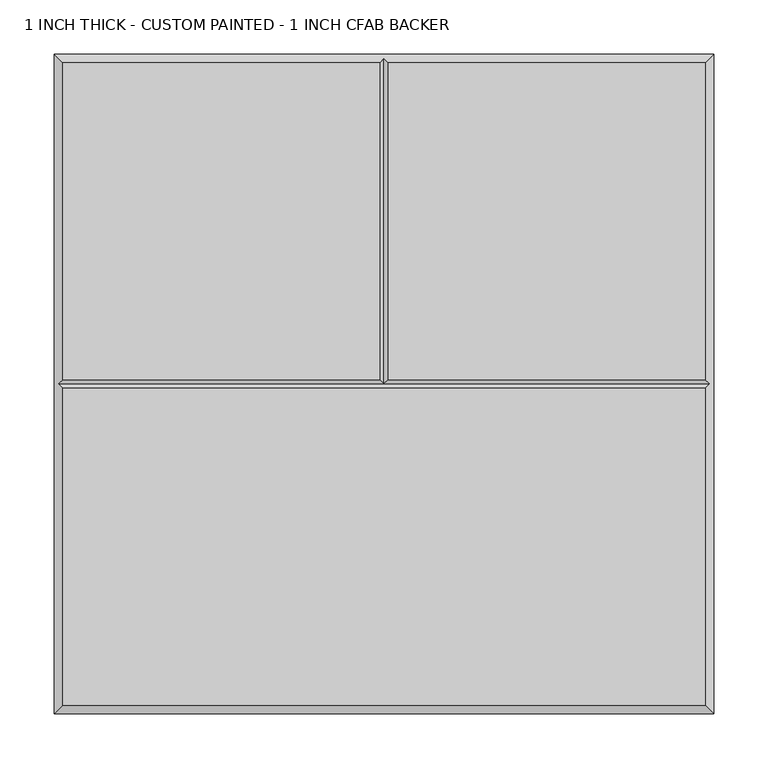
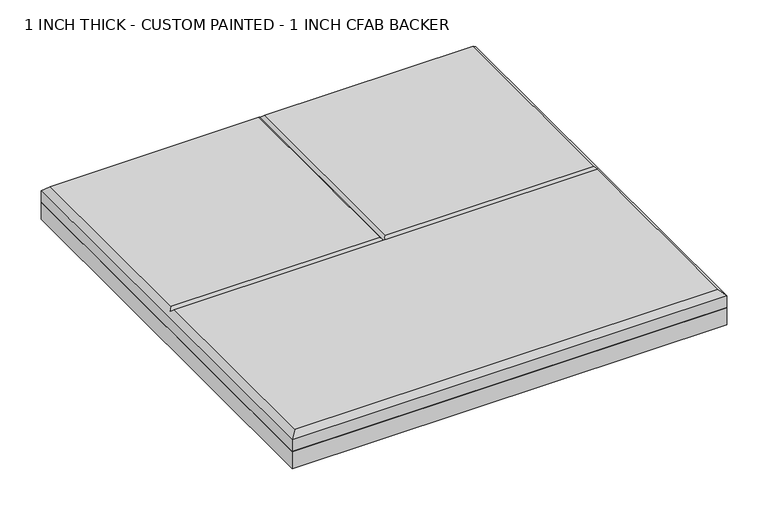
"""IFC4 building model written with IfcOpenShell, lengths in millimetres: proxy geometry, 1 INCH THICK - CUSTOM PAINTED - 1 INCH CFAB BACKER."""

from ifc_helpers import new_model, si_unit, frame, origin, place, context, project, spatial, polyline, outline, extrude, faceted_brep, source, transform, mapped, element, save


def proxy_1_inch_thick_custom_painted_1_inch_cfab_backer_71530150(model_context):
    return source(origin(), model_context, "Body", "SolidModel", [
        extrude(outline(polyline([(-304.8, 304.8), (304.8, 304.8), (304.8, -304.8), (-304.8, -304.8), (-304.8, 304.8)])), frame((0.0, 0.0, -25.4), z_axis=(0.0, 0.0, 1.0), x_axis=(1.0, 0.0, 0.0)), (0.0, 0.0, 1.0), 25.4),
        faceted_brep([(-296.799, -296.799, 25.4), (296.799, -296.799, 25.4), (296.799, -4.0005127, 25.4), (-296.799, -4.0005127, 25.4), (-296.799, 296.799, 25.4), (-296.799, 4.0004873, 25.4), (-4.0005, 4.0004873, 25.4), (-4.0005, 296.799, 25.4), (296.799, 4.0004873, 25.4), (296.799, 296.799, 25.4), (4.0005, 296.799, 25.4), (4.0005, 4.0004873, 25.4), (-304.8, 304.8, 0.0), (304.8, 304.8, 0.0), (304.8, -304.8, 0.0), (-304.8, -304.8, 0.0), (-304.8, -304.8, 17.399), (-304.8, 304.8, 17.399), (304.8, -304.8, 17.399), (304.8, 304.8, 17.399), (0.0, 300.7995, 21.3995), (-300.7995, -1.27e-05, 21.3995), (300.7995, -1.27e-05, 21.3995), (0.0, -1.27e-05, 21.3995)], [[[0, 1, 2, 3]], [[4, 5, 6, 7]], [[8, 9, 10, 11]], [[12, 13, 14, 15]], [[12, 15, 16, 17]], [[15, 14, 18, 16]], [[14, 13, 19, 18]], [[13, 12, 17, 19]], [[17, 4, 7, 20, 10, 9, 19]], [[4, 17, 16, 0, 3, 21, 5]], [[0, 16, 18, 1]], [[19, 9, 8, 22, 2, 1, 18]], [[5, 21, 23, 6]], [[22, 8, 11, 23]], [[3, 2, 22, 23, 21]], [[20, 23, 11, 10]], [[23, 20, 7, 6]]]),
    ])


if __name__ == "__main__":
    model = new_model("IFC4")
    model_context = context("Model", 3, world=origin())
    ifc_project = project(units=[si_unit("LENGTHUNIT", "METRE", prefix="MILLI")], contexts=[model_context])
    site = spatial("IfcSite", under=ifc_project)
    building = spatial("IfcBuilding", under=site)
    placement = place(None, origin())
    proxy_1_inch_thick_custom_painted_1_inch_cfab_backer_shape = proxy_1_inch_thick_custom_painted_1_inch_cfab_backer_71530150(model_context)
    element("IfcBuildingElementProxy", 1, Name="1 INCH THICK - CUSTOM PAINTED - 1 INCH CFAB BACKER", ObjectType="1 INCH THICK - CUSTOM PAINTED - 1 INCH CFAB BACKER", at=placement, inside=building, context=model_context, shape_type="MappedRepresentation", body=[
        mapped(proxy_1_inch_thick_custom_painted_1_inch_cfab_backer_shape, transform((0.0, 0.0, 0.0), x_axis=(1.0, 0.0, 0.0), y_axis=(0.0, 1.0, 0.0), z_axis=(0.0, 0.0, 1.0))),
    ])
    save(model, "model.ifc")
